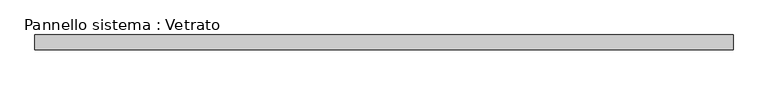
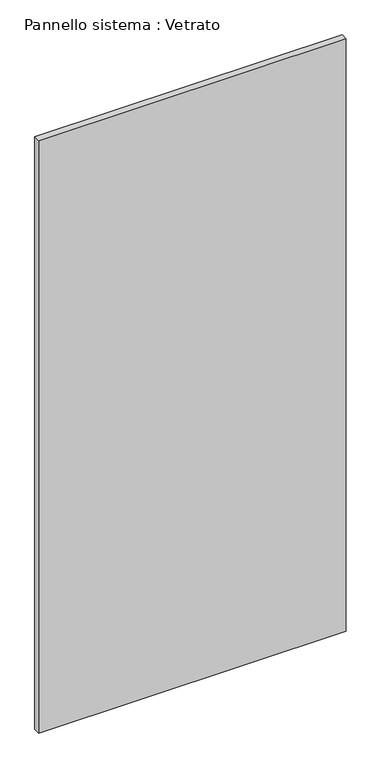
"""IFC4 building model written with IfcOpenShell, lengths in millimetres: plate geometry, Pannello sistema : Vetrato."""

from ifc_helpers import new_model, si_unit, origin, origin_with_axes, place, context, project, spatial, polyline, outline, extrude, source, transform, mapped, element, save


def pannello_sistema_vetrato_8aeef98d(model_context):
    return source(origin(), model_context, "Body", "SweptSolid", [
        extrude(outline(polyline([(712.5, -15.0), (-712.5, -15.0), (-712.5, 15.0), (712.5, 15.0), (712.5, -15.0)])), origin_with_axes(), (0.0, 0.0, 1.0), 2900.0),
    ])


if __name__ == "__main__":
    model = new_model("IFC4")
    model_context = context("Model", 3, world=origin())
    ifc_project = project(units=[si_unit("LENGTHUNIT", "METRE", prefix="MILLI")], contexts=[model_context])
    site = spatial("IfcSite", under=ifc_project)
    building = spatial("IfcBuilding", under=site)
    placement = place(None, origin())
    pannello_sistema_vetrato_shape = pannello_sistema_vetrato_8aeef98d(model_context)
    element("IfcPlate", 1, ObjectType="Pannello sistema : Vetrato", at=placement, inside=building, context=model_context, shape_type="MappedRepresentation", body=[
        mapped(pannello_sistema_vetrato_shape, transform((0.0, 0.0, 0.0), x_axis=(1.0, 0.0, 0.0), y_axis=(0.0, 1.0, 0.0), z_axis=(0.0, 0.0, 1.0))),
    ])
    save(model, "model.ifc")
